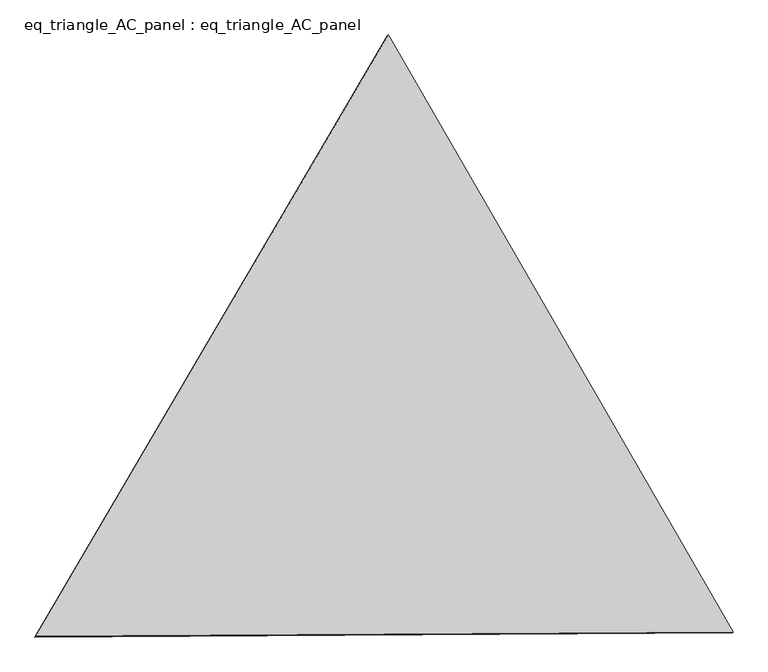
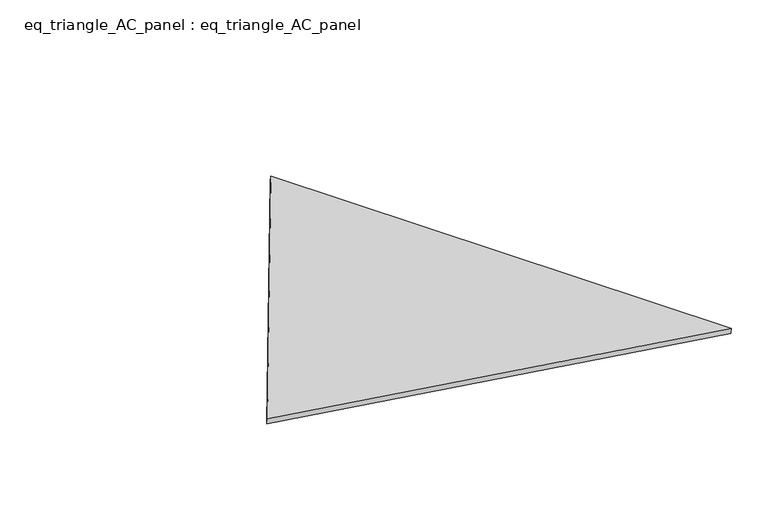
"""IFC4 building model written with IfcOpenShell, lengths in millimetres: proxy geometry, eq_triangle_AC_panel : eq_triangle_AC_panel."""

from ifc_helpers import new_model, si_unit, frame, origin, place, context, project, spatial, polyline, outline, extrude, source, transform, mapped, element, save


def eq_triangle_ac_panel_eq_triangle_ac_panel_9c78ceb8(model_context):
    return source(origin(), model_context, "Body", "SweptSolid", [
        extrude(outline(polyline([(-2017.7410617, 1198.9367817), (2017.7410616, 1198.9367817), (-1e-07, -2397.8735635), (-2017.7410617, 1198.9367817)])), frame((0.0038051, 527.9290861, 89.8240019), z_axis=(0.14526328517637513, 0.08386570281559262, 0.9858321976234159), x_axis=(0.5000027697416997, -0.8660238046641369, -2.3836681133810932e-06)), (0.0, 0.0, 1.0), 43.8306294),
    ])


if __name__ == "__main__":
    model = new_model("IFC4")
    model_context = context("Model", 3, world=origin())
    ifc_project = project(units=[si_unit("LENGTHUNIT", "METRE", prefix="MILLI")], contexts=[model_context])
    site = spatial("IfcSite", under=ifc_project)
    building = spatial("IfcBuilding", under=site)
    placement = place(None, origin())
    eq_triangle_ac_panel_eq_triangle_ac_panel_shape = eq_triangle_ac_panel_eq_triangle_ac_panel_9c78ceb8(model_context)
    element("IfcBuildingElementProxy", 1, Name="eq_triangle_AC_panel : eq_triangle_AC_panel", ObjectType="eq_triangle_AC_panel : eq_triangle_AC_panel", at=placement, inside=building, context=model_context, shape_type="MappedRepresentation", body=[
        mapped(eq_triangle_ac_panel_eq_triangle_ac_panel_shape, transform((0.0, 0.0, 0.0), x_axis=(1.0, 0.0, 0.0), y_axis=(0.0, 1.0, 0.0), z_axis=(0.0, 0.0, 1.0))),
    ])
    save(model, "model.ifc")
